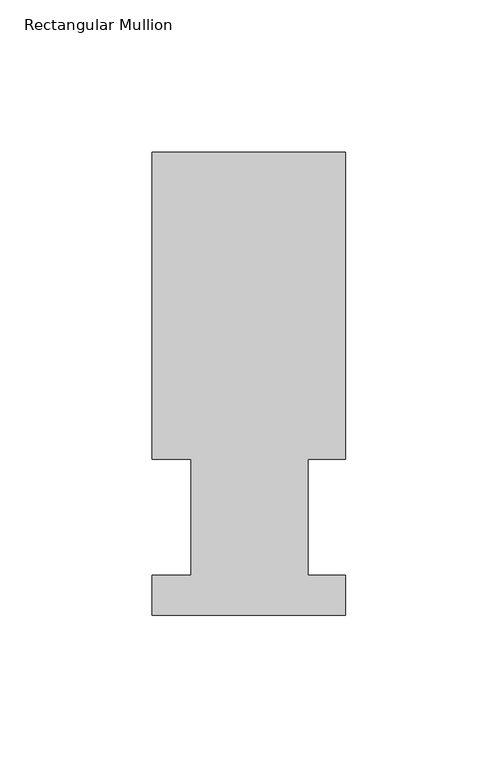
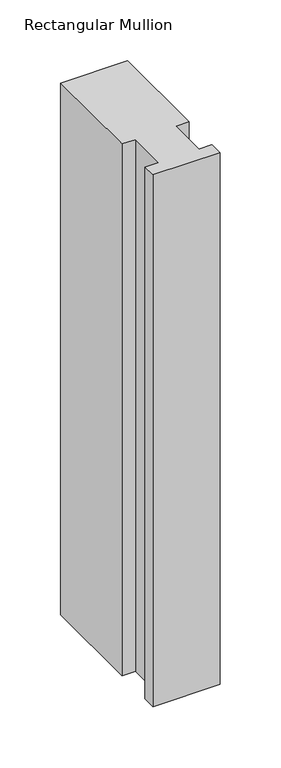
"""IFC4 building model written with IfcOpenShell, lengths in millimetres: member geometry, Rectangular Mullion."""

from ifc_helpers import new_model, si_unit, frame, origin, place, context, project, spatial, polyline, outline, extrude, source, transform, mapped, element, save


def rectangular_mullion_8d4f6bd2(model_context):
    return source(origin(), model_context, "Body", "SweptSolid", [
        extrude(outline(polyline([(-63.5, 151.9816937), (0.0, 151.9816937), (0.0, 51.2960938), (-12.3418395, 51.2960938), (-12.3418395, 13.1960937), (0.0, 13.1960937), (0.0, 0.0134937), (-63.5, 0.0134937), (-63.5, 13.1960937), (-50.8, 13.1960937), (-50.8, 51.2960938), (-63.5, 51.2960938), (-63.5, 151.9816937)])), frame((0.0, 0.0, -533.4), z_axis=(0.0, 0.0, 1.0), x_axis=(1.0, 0.0, 0.0)), (0.0, 0.0, 1.0), 533.4),
    ])


if __name__ == "__main__":
    model = new_model("IFC4")
    model_context = context("Model", 3, world=origin())
    ifc_project = project(units=[si_unit("LENGTHUNIT", "METRE", prefix="MILLI")], contexts=[model_context])
    site = spatial("IfcSite", under=ifc_project)
    building = spatial("IfcBuilding", under=site)
    placement = place(None, origin())
    rectangular_mullion_shape = rectangular_mullion_8d4f6bd2(model_context)
    element("IfcMember", 1, ObjectType="Rectangular Mullion", at=placement, inside=building, context=model_context, shape_type="MappedRepresentation", body=[
        mapped(rectangular_mullion_shape, transform((0.0, 0.0, 0.0), x_axis=(1.0, 0.0, 0.0), y_axis=(0.0, 1.0, 0.0), z_axis=(0.0, 0.0, 1.0))),
    ])
    save(model, "model.ifc")
